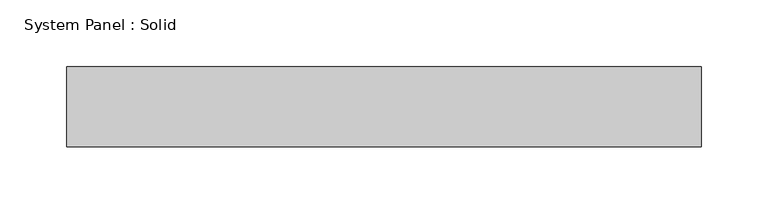
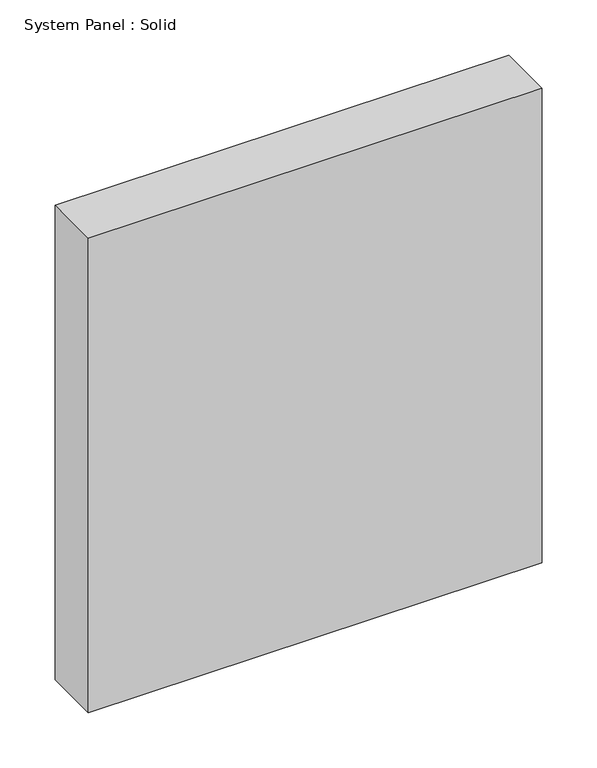
"""IFC4 building model written with IfcOpenShell, lengths in millimetres: plate geometry, System Panel : Solid."""

from ifc_helpers import new_model, si_unit, origin, origin_with_axes, place, context, project, spatial, polyline, outline, extrude, source, transform, mapped, element, save


def system_panel_solid_67887a39(model_context):
    return source(origin(), model_context, "Body", "SweptSolid", [
        extrude(outline(polyline([(237.4996295, -49.5), (-237.4996295, -49.5), (-237.4996295, 10.5), (237.4996295, 10.5), (237.4996295, -49.5)])), origin_with_axes(), (0.0, 0.0, 1.0), 525.0),
    ])


if __name__ == "__main__":
    model = new_model("IFC4")
    model_context = context("Model", 3, world=origin())
    ifc_project = project(units=[si_unit("LENGTHUNIT", "METRE", prefix="MILLI")], contexts=[model_context])
    site = spatial("IfcSite", under=ifc_project)
    building = spatial("IfcBuilding", under=site)
    placement = place(None, origin())
    system_panel_solid_shape = system_panel_solid_67887a39(model_context)
    element("IfcPlate", 1, ObjectType="System Panel : Solid", at=placement, inside=building, context=model_context, shape_type="MappedRepresentation", body=[
        mapped(system_panel_solid_shape, transform((0.0, 0.0, 0.0), x_axis=(1.0, 0.0, 0.0), y_axis=(0.0, 1.0, 0.0), z_axis=(0.0, 0.0, 1.0))),
    ])
    save(model, "model.ifc")
